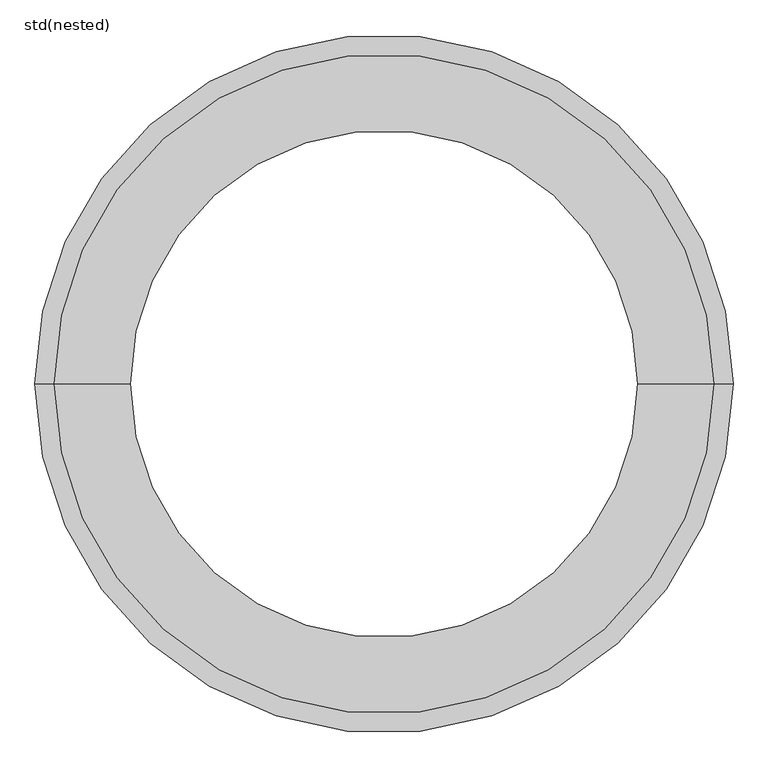
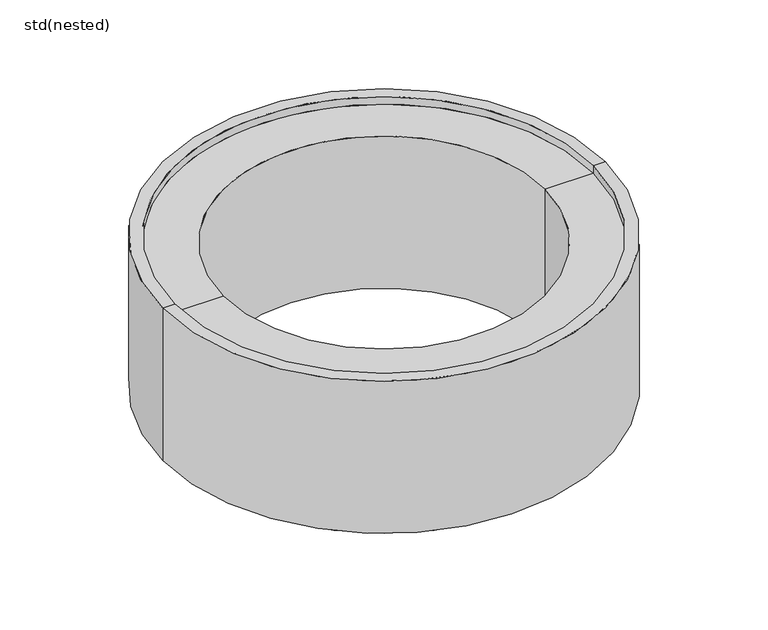
"""IFC4 building model written with IfcOpenShell, lengths in millimetres: unitary equipment geometry, std(nested)."""

from ifc_helpers import new_model, si_unit, frame, origin, place, context, project, spatial, polyline, circle_curve, source, transform, mapped, element, save
from ifc_brep_helpers import plane_surface, cylinder_surface, revolved_surface, advanced_brep


def std_nested_61770aff(model_context):
    return source(origin(), model_context, "Body", "AdvancedBrep", [
        advanced_brep(
        [(520.0, 0.0, -400.0), (-520.0, 0.0, -400.0), (-550.0, 0.0, -400.0), (550.0, 0.0, -400.0), (520.0, 0.0, -420.0), (-520.0, 0.0, -420.0), (400.0, 0.0, -420.0), (-400.0, 0.0, -420.0), (400.0, 0.0, -20.0), (-400.0, 0.0, -20.0), (520.0, 0.0, -20.0), (-520.0, 0.0, -20.0), (520.0, 0.0, 0.0), (-520.0, 0.0, 0.0), (550.0, 0.0, 0.0), (-550.0, 0.0, 0.0)],
        [
            (0, 1, circle_curve(frame((0.0, 0.0, -400.0), z_axis=(0.0, 0.0, 1.0), x_axis=(-1.0, 0.0, 0.0)), 520.0)),
            (1, 2),
            (2, 3, circle_curve(frame((0.0, 0.0, -400.0), z_axis=(0.0, 0.0, -1.0), x_axis=(-1.0, 0.0, 0.0)), 550.0)),
            (3, 0),
            (1, 0, circle_curve(frame((0.0, 0.0, -400.0), z_axis=(0.0, 0.0, 1.0), x_axis=(-1.0, 0.0, 0.0)), 520.0)),
            (3, 2, circle_curve(frame((0.0, 0.0, -400.0), z_axis=(0.0, 0.0, -1.0), x_axis=(-1.0, 0.0, 0.0)), 550.0)),
            (4, 5, circle_curve(frame((0.0, 0.0, -420.0), z_axis=(0.0, 0.0, 1.0), x_axis=(-1.0, 0.0, 0.0)), 520.0)),
            (5, 1),
            (0, 4),
            (5, 4, circle_curve(frame((0.0, 0.0, -420.0), z_axis=(0.0, 0.0, 1.0), x_axis=(-1.0, 0.0, 0.0)), 520.0)),
            (6, 7, circle_curve(frame((0.0, 0.0, -420.0), z_axis=(0.0, 0.0, 1.0), x_axis=(-1.0, 0.0, 0.0)), 400.0)),
            (7, 5),
            (4, 6),
            (7, 6, circle_curve(frame((0.0, 0.0, -420.0), z_axis=(0.0, 0.0, 1.0), x_axis=(-1.0, 0.0, 0.0)), 400.0)),
            (8, 9, circle_curve(frame((0.0, 0.0, -20.0), z_axis=(0.0, 0.0, 1.0), x_axis=(-1.0, 0.0, 0.0)), 400.0)),
            (9, 7),
            (6, 8),
            (9, 8, circle_curve(frame((0.0, 0.0, -20.0), z_axis=(0.0, 0.0, 1.0), x_axis=(-1.0, 0.0, 0.0)), 400.0)),
            (10, 11, circle_curve(frame((0.0, 0.0, -20.0), z_axis=(0.0, 0.0, 1.0), x_axis=(-1.0, 0.0, 0.0)), 520.0)),
            (11, 9),
            (8, 10),
            (11, 10, circle_curve(frame((0.0, 0.0, -20.0), z_axis=(0.0, 0.0, 1.0), x_axis=(-1.0, 0.0, 0.0)), 520.0)),
            (12, 13, circle_curve(frame((0.0, 0.0, 0.0), z_axis=(0.0, 0.0, 1.0), x_axis=(-1.0, 0.0, 0.0)), 520.0)),
            (13, 11),
            (10, 12),
            (13, 12, circle_curve(frame((0.0, 0.0, 0.0), z_axis=(0.0, 0.0, 1.0), x_axis=(-1.0, 0.0, 0.0)), 520.0)),
            (14, 15, circle_curve(frame((0.0, 0.0, 0.0), z_axis=(0.0, 0.0, 1.0), x_axis=(-1.0, 0.0, 0.0)), 550.0)),
            (15, 13),
            (12, 14),
            (15, 14, circle_curve(frame((0.0, 0.0, 0.0), z_axis=(0.0, 0.0, 1.0), x_axis=(-1.0, 0.0, 0.0)), 550.0)),
            (2, 15),
            (14, 3),
        ],
        [
            plane_surface(frame((0.0, 0.0, -400.0), z_axis=(0.0, 0.0, -1.0), x_axis=(-1.0, 0.0, 0.0))),
            cylinder_surface(frame((0.0, 0.0, 0.0), z_axis=(0.0, 0.0, -1.0), x_axis=(-1.0, 0.0, 0.0)), 520.0),
            plane_surface(frame((0.0, 0.0, -420.0), z_axis=(0.0, 0.0, -1.0), x_axis=(-1.0, 0.0, 0.0))),
            revolved_surface(polyline([(-400.0, 0.0, -420.0), (-400.0, 0.0, -20.0)]), (0.0, 0.0, 0.0), (0.0, 0.0, -1.0)),
            plane_surface(frame((0.0, 0.0, -20.0), z_axis=(0.0, 0.0, 1.0), x_axis=(-1.0, 0.0, 0.0))),
            revolved_surface(polyline([(-520.0, 0.0, -20.0), (-520.0, 0.0, 0.0)]), (0.0, 0.0, 0.0), (0.0, 0.0, -1.0)),
            plane_surface(frame((0.0, 0.0, 0.0), z_axis=(0.0, 0.0, 1.0), x_axis=(-1.0, 0.0, 0.0))),
            cylinder_surface(frame((0.0, 0.0, 0.0), z_axis=(0.0, 0.0, -1.0), x_axis=(-1.0, 0.0, 0.0)), 550.0),
        ],
        [
            (0, [[1, 2, 3, 4]]),
            (0, [[5, -4, 6, -2]]),
            (1, [[7, 8, -1, 9]]),
            (1, [[10, -9, -5, -8]]),
            (2, [[11, 12, -7, 13]]),
            (2, [[14, -13, -10, -12]]),
            (3, [[15, 16, -11, 17]]),
            (3, [[18, -17, -14, -16]]),
            (4, [[19, 20, -15, 21]]),
            (4, [[22, -21, -18, -20]]),
            (5, [[23, 24, -19, 25]]),
            (5, [[26, -25, -22, -24]]),
            (6, [[27, 28, -23, 29]]),
            (6, [[30, -29, -26, -28]]),
            (7, [[-3, 31, -27, 32]]),
            (7, [[-6, -32, -30, -31]]),
        ],
    ),
    ])


if __name__ == "__main__":
    model = new_model("IFC4")
    model_context = context("Model", 3, world=origin())
    ifc_project = project(units=[si_unit("LENGTHUNIT", "METRE", prefix="MILLI")], contexts=[model_context])
    site = spatial("IfcSite", under=ifc_project)
    building = spatial("IfcBuilding", under=site)
    placement = place(None, origin())
    std_nested_shape = std_nested_61770aff(model_context)
    element("IfcUnitaryEquipment", 1, ObjectType="std(nested)", at=placement, inside=building, context=model_context, shape_type="MappedRepresentation", body=[
        mapped(std_nested_shape, transform((0.0, 0.0, 0.0), x_axis=(1.0, 0.0, 0.0), y_axis=(0.0, 1.0, 0.0), z_axis=(0.0, 0.0, 1.0))),
    ])
    save(model, "model.ifc")
